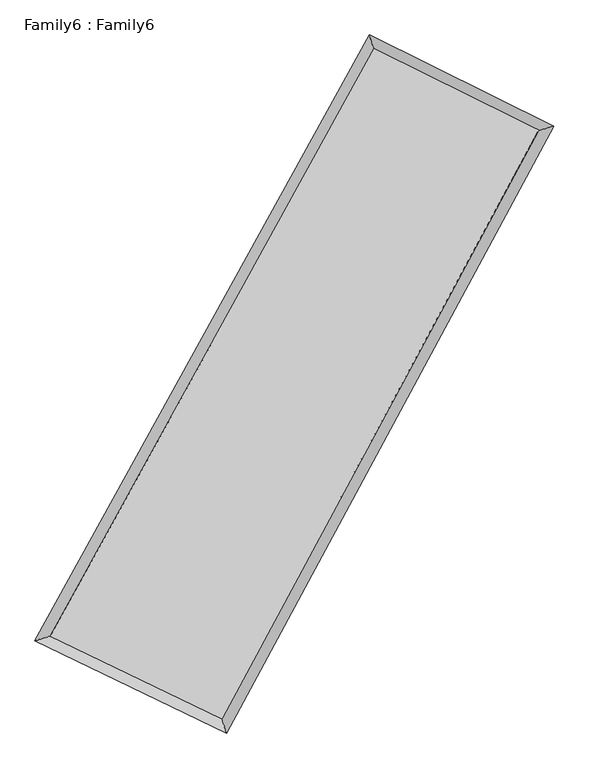
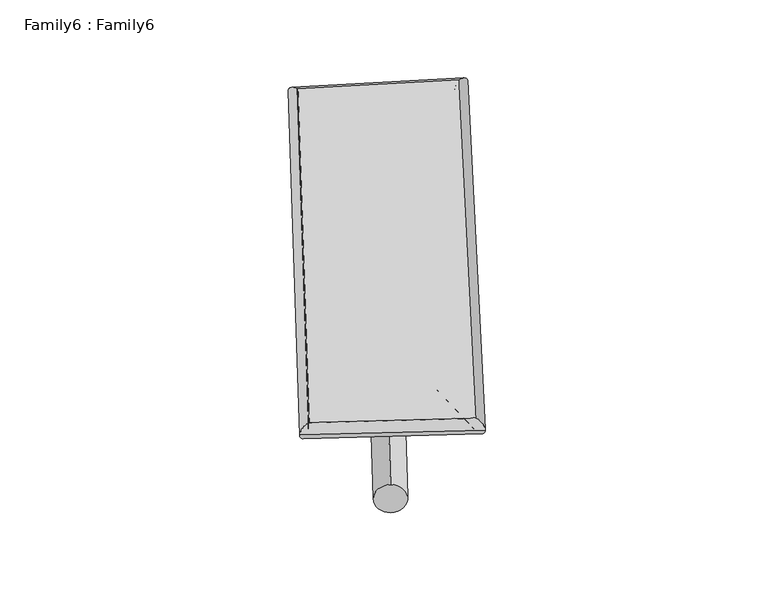
"""IFC4 building model written with IfcOpenShell, lengths in millimetres: plate geometry, Family6 : Family6."""

import ifcopenshell
import ifcopenshell.guid

model = None  # the IFC model being written
_history = None  # IfcOwnerHistory: only IFC2X3 demands one
_inside = {}  # id of a spatial element -> (the spatial element, [elements in it])
_under = {}  # id of a project, library or spatial element -> (it, [spatial elements below it])
_declared = {}  # id of a project -> (the project, [libraries it declares])
_typed = {}  # id of a type object -> (the type object, [elements of that type])
_made_of = {}  # id of a material, layer set ... -> (it, [elements and type objects made of it])


def new_model(schema):
    """Start an empty IFC model of exactly this schema.

    Asked for "IFC4X3", IfcOpenShell would pick the latest addendum, in which some entities
    have other attributes; the version numbers below select the first issue.
    IFC2X3 requires an IfcOwnerHistory on every rooted entity: one is made here for all.
    """
    global model, _history
    if schema == "IFC4X3":
        model = ifcopenshell.file(schema_version=(4, 3, 0, 0))
    else:
        model = ifcopenshell.file(schema=schema)
    _inside.clear()
    _under.clear()
    _declared.clear()
    _typed.clear()
    _made_of.clear()
    _history = None
    if model.schema == "IFC2X3":
        org = make("IfcOrganization", Name="unknown")
        user = make(
            "IfcPersonAndOrganization",
            ThePerson=make("IfcPerson", FamilyName="unknown"),
            TheOrganization=org,
        )
        app = make(
            "IfcApplication",
            ApplicationDeveloper=org,
            Version="unknown",
            ApplicationFullName="unknown",
            ApplicationIdentifier="unknown",
        )
        _history = make(
            "IfcOwnerHistory",
            OwningUser=user,
            OwningApplication=app,
            ChangeAction="ADDED",
            CreationDate=0,
        )
    return model


def make(cls, **values):
    """One entity of the class cls with the attributes given. An attribute that is None is left unset."""
    return model.create_entity(
        cls, **{name: value for name, value in values.items() if value is not None}
    )


def rooted(cls, **values):
    """An entity with a GlobalId (a new one), such as an element, a storey or a relation."""
    return make(cls, GlobalId=ifcopenshell.guid.new(), OwnerHistory=_history, **values)


def si_unit(unit_type, name, prefix=None):
    """IfcSIUnit, for example si_unit("LENGTHUNIT", "METRE", prefix="MILLI")."""
    return make("IfcSIUnit", UnitType=unit_type, Prefix=prefix, Name=name)


def assignment(units):
    """IfcUnitAssignment: the units of a project."""
    return None if units is None else make("IfcUnitAssignment", Units=units)


def point(xyz):
    """IfcCartesianPoint."""
    return None if xyz is None else make("IfcCartesianPoint", Coordinates=xyz)


def direction(xyz):
    """IfcDirection."""
    return None if xyz is None else make("IfcDirection", DirectionRatios=xyz)


def frame(location, z_axis=None, x_axis=None):
    """IfcAxis2Placement3D, a coordinate frame: its origin and axes. An axis left out is left unset."""
    return make(
        "IfcAxis2Placement3D",
        Location=point(location),
        Axis=direction(z_axis),
        RefDirection=direction(x_axis),
    )


def frame_2d(location, x_axis=None):
    """IfcAxis2Placement2D, a coordinate frame in the plane: its origin and x axis."""
    return make(
        "IfcAxis2Placement2D", Location=point(location), RefDirection=direction(x_axis)
    )


def origin():
    """The frame at (0, 0, 0) with its axes left unset."""
    return frame((0.0, 0.0, 0.0))


def origin_2d():
    """The frame at (0, 0) in the plane with its x axis left unset."""
    return frame_2d((0.0, 0.0))


def place(relative_to, where):
    """IfcLocalPlacement: puts the frame where relative to a parent placement (None: the world)."""
    return make(
        "IfcLocalPlacement", PlacementRelTo=relative_to, RelativePlacement=where
    )


def context(
    kind, dimensions, precision=None, world=None, true_north=None, identifier=None
):
    """IfcGeometricRepresentationContext, for example the 3D "Model" context."""
    return make(
        "IfcGeometricRepresentationContext",
        ContextIdentifier=identifier,
        ContextType=kind,
        CoordinateSpaceDimension=dimensions,
        Precision=precision,
        WorldCoordinateSystem=world,
        TrueNorth=true_north,
    )


def project(units=None, contexts=None):
    """IfcProject with its units and contexts."""
    return rooted(
        "IfcProject",
        Name="project",
        RepresentationContexts=contexts,
        UnitsInContext=assignment(units),
    )


def spatial(cls, under=None, at=None, **own):
    """A site, building, storey or space (cls), placed at a placement, below another one or the project."""
    s = rooted(cls, ObjectPlacement=at, **own)
    if under is not None:
        _under.setdefault(under.id(), (under, []))[1].append(s)
    return s


def circle_curve(where, radius):
    """IfcCircle in the frame where."""
    return make("IfcCircle", Position=where, Radius=radius)


def ellipse_curve(where, semi_axis1, semi_axis2):
    """IfcEllipse in the frame where."""
    return make(
        "IfcEllipse", Position=where, SemiAxis1=semi_axis1, SemiAxis2=semi_axis2
    )


def trimmed(basis, trim1, trim2, sense, master):
    """IfcTrimmedCurve: the piece of a basis curve between two trims."""
    return make(
        "IfcTrimmedCurve",
        BasisCurve=basis,
        Trim1=trim1,
        Trim2=trim2,
        SenseAgreement=sense,
        MasterRepresentation=master,
    )


def segment(curve, same_sense, transition):
    """IfcCompositeCurveSegment."""
    return make(
        "IfcCompositeCurveSegment",
        Transition=transition,
        SameSense=same_sense,
        ParentCurve=curve,
    )


def composite_curve(segments, self_intersect=None):
    """IfcCompositeCurve: segments joined end to end."""
    return make("IfcCompositeCurve", Segments=segments, SelfIntersect=self_intersect)


def outline(outer, holes=None, kind="AREA"):
    """IfcArbitraryClosedProfileDef: a profile drawn as a closed curve; with holes, ...WithVoids."""
    if holes is None:
        return make("IfcArbitraryClosedProfileDef", ProfileType=kind, OuterCurve=outer)
    return make(
        "IfcArbitraryProfileDefWithVoids",
        ProfileType=kind,
        OuterCurve=outer,
        InnerCurves=holes,
    )


def extrude(swept, where, along, depth):
    """IfcExtrudedAreaSolid: the profile swept, set in the frame where, extruded along a direction by depth."""
    return make(
        "IfcExtrudedAreaSolid",
        SweptArea=swept,
        Position=where,
        ExtrudedDirection=direction(along),
        Depth=depth,
    )


def shape(context_of_items, identifier, shape_type, items):
    """IfcShapeRepresentation: the items that make up one representation, for example the "Body"."""
    return make(
        "IfcShapeRepresentation",
        ContextOfItems=context_of_items,
        RepresentationIdentifier=identifier,
        RepresentationType=shape_type,
        Items=items,
    )


def source(mapping_origin, context_of_items, identifier, shape_type, items):
    """IfcRepresentationMap: a shape defined once, which mapped items show again and again."""
    return make(
        "IfcRepresentationMap",
        MappingOrigin=mapping_origin,
        MappedRepresentation=shape(context_of_items, identifier, shape_type, items),
    )


def transform(
    local_origin,
    x_axis=None,
    y_axis=None,
    z_axis=None,
    scale=None,
    scale2=None,
    scale3=None,
    uniform=True,
):
    """IfcCartesianTransformationOperator3D, or its non-uniform kind. x_axis, y_axis, z_axis: its Axis1, 2, 3."""
    if uniform:
        return make(
            "IfcCartesianTransformationOperator3D",
            Axis1=direction(x_axis),
            Axis2=direction(y_axis),
            LocalOrigin=point(local_origin),
            Scale=scale,
            Axis3=direction(z_axis),
        )
    return make(
        "IfcCartesianTransformationOperator3DnonUniform",
        Axis1=direction(x_axis),
        Axis2=direction(y_axis),
        LocalOrigin=point(local_origin),
        Scale=scale,
        Axis3=direction(z_axis),
        Scale2=scale2,
        Scale3=scale3,
    )


def mapped(mapping_source, mapping_target):
    """IfcMappedItem: shows the shape of a source again, moved by a transform."""
    return make(
        "IfcMappedItem", MappingSource=mapping_source, MappingTarget=mapping_target
    )


def made_of(thing, what):
    """Note that an element or type object is made of a material, layer set ...; save() writes the relation."""
    if what is not None:
        _made_of.setdefault(what.id(), (what, []))[1].append(thing)
    return thing


def element(
    cls,
    number,
    at=None,
    inside=None,
    cuts=None,
    type_object=None,
    material=None,
    context=None,
    identifier="Body",
    shape_type=None,
    held_by="IfcProductDefinitionShape",
    body=None,
    shapes=None,
    **own,
):
    """One element of the class cls, such as IfcWall. Its Tag is "e" and its number.

    at: its placement. inside: the storey or other place that contains it. cuts: it is an
    opening in that element (IfcRelVoidsElement). A single representation is given by context,
    identifier, shape_type and body (its items); several are given by shapes. held_by: the class
    of the entity that holds the representations. save() writes the other relations.
    """
    e = rooted(cls, Tag="e%d" % number, ObjectPlacement=at, **own)
    if body is not None:
        shapes = [shape(context, identifier, shape_type, body)]
    if shapes is not None:
        e.Representation = make(held_by, Representations=shapes)
    if inside is not None:
        _inside.setdefault(inside.id(), (inside, []))[1].append(e)
    if cuts is not None:
        rooted(
            "IfcRelVoidsElement", RelatingBuildingElement=cuts, RelatedOpeningElement=e
        )
    if type_object is not None:
        _typed.setdefault(type_object.id(), (type_object, []))[1].append(e)
    return made_of(e, material)


def aggregate(whole, parts):
    """IfcRelAggregates: a whole, such as a stair, and the parts it consists of."""
    return rooted("IfcRelAggregates", RelatingObject=whole, RelatedObjects=parts)


def save(model, path):
    """Write the relations noted so far, then the file.

    IfcRelAggregates (storeys below a building ...), IfcRelContainedInSpatialStructure (elements
    in a storey), IfcRelDefinesByType, IfcRelAssociatesMaterial and IfcRelDeclares: one each for
    every whole, place, type object, material and project.
    """
    for whole, parts in _under.values():
        aggregate(whole, parts)
    for where, things in _inside.values():
        rooted(
            "IfcRelContainedInSpatialStructure",
            RelatedElements=things,
            RelatingStructure=where,
        )
    for kind, things in _typed.values():
        rooted("IfcRelDefinesByType", RelatedObjects=things, RelatingType=kind)
    for what, things in _made_of.values():
        rooted("IfcRelAssociatesMaterial", RelatedObjects=things, RelatingMaterial=what)
    for by, libraries in _declared.values():
        rooted("IfcRelDeclares", RelatingContext=by, RelatedDefinitions=libraries)
    model.write(path)


def plane_surface(at):
    """IfcPlane: the flat surface through the origin of the frame at, square to its z axis."""
    return make("IfcPlane", Position=at)


def cylinder_surface(at, radius):
    """IfcCylindricalSurface: all points at the distance radius from the z axis of the frame at."""
    return make("IfcCylindricalSurface", Position=at, Radius=radius)


def spline_surface(u_degree, v_degree, points, u_multiplicities, v_multiplicities, u_knots, v_knots, weights=None):
    """IfcBSplineSurfaceWithKnots; with weights, IfcRationalBSplineSurfaceWithKnots. points: one row for each step in u."""
    own = dict(
        UDegree=u_degree,
        VDegree=v_degree,
        ControlPointsList=[[point(p) for p in row] for row in points],
        SurfaceForm="UNSPECIFIED",
        UClosed=False,
        VClosed=False,
        SelfIntersect=False,
        UMultiplicities=u_multiplicities,
        VMultiplicities=v_multiplicities,
        UKnots=u_knots,
        VKnots=v_knots,
        KnotSpec="UNSPECIFIED",
    )
    if weights is None:
        return make("IfcBSplineSurfaceWithKnots", **own)
    return make("IfcRationalBSplineSurfaceWithKnots", WeightsData=weights, **own)


def advanced_brep(points, edges, surfaces, faces):
    """IfcAdvancedBrep: a solid bounded by faces that lie on surfaces and meet in shared edges.

    An edge is (start, end): straight between two places in points (the first is 0);
    or (start, end, curve); or (start, end, curve, False) where it runs against its curve.
    A face is (place in surfaces, loops), or (place, loops, False) where it looks against
    its surface's normal. A loop lists edges by number (the first is 1), with a minus sign
    where the edge is run from its end to its start. The first loop is the outer one.
    """
    corners = [point(p) for p in points]
    vertices = [make("IfcVertexPoint", VertexGeometry=c) for c in corners]
    made = []
    for start, end, *more in edges:
        made.append(
            make(
                "IfcEdgeCurve",
                EdgeStart=vertices[start],
                EdgeEnd=vertices[end],
                EdgeGeometry=more[0] if more else make("IfcPolyline", Points=[corners[start], corners[end]]),
                SameSense=more[1] if len(more) > 1 else True,
            )
        )
    hull = []
    for where, loops, *sense in faces:
        bounds = []
        for j, loop in enumerate(loops):
            ring = [make("IfcOrientedEdge", EdgeElement=made[abs(k) - 1], Orientation=k > 0) for k in loop]
            bounds.append(
                make(
                    "IfcFaceOuterBound" if j == 0 else "IfcFaceBound",
                    Bound=make("IfcEdgeLoop", EdgeList=ring),
                    Orientation=True,
                )
            )
        hull.append(make("IfcAdvancedFace", Bounds=bounds, FaceSurface=surfaces[where], SameSense=sense[0] if sense else True))
    return make("IfcAdvancedBrep", Outer=make("IfcClosedShell", CfsFaces=hull))


def family6_family6_a13bdeb6(model_context):
    return source(origin(), model_context, "Body", "SolidModel", [
        extrude(outline(composite_curve([segment(trimmed(circle_curve(origin_2d(), 76.2), [point((-75.4341514, -10.7763074))], [point((75.4341514, 10.7763074))], False, "CARTESIAN"), True, "CONTINUOUS"), segment(trimmed(circle_curve(origin_2d(), 76.2), [point((75.4341514, 10.7763074))], [point((-75.4341514, -10.7763074))], False, "CARTESIAN"), True, "CONTINUOUS")], self_intersect=False)), frame((9144.0, 9144.0, 0.0), z_axis=(0.6675679153350952, 0.6924655994660907, 0.2735771773580959), x_axis=(-0.6842210219646142, 0.7154514023607427, -0.14131837800422767)), (0.0, 0.0, 1.0), 5681.6754068),
        extrude(outline(composite_curve([segment(trimmed(circle_curve(origin_2d(), 76.2), [point((-53.8815367, 53.8815367))], [point((53.8815367, -53.8815367))], False, "CARTESIAN"), True, "CONTINUOUS"), segment(trimmed(circle_curve(origin_2d(), 76.2), [point((53.8815367, -53.8815367))], [point((-53.8815367, 53.8815367))], False, "CARTESIAN"), True, "CONTINUOUS")], self_intersect=False)), frame((9144.0, 9144.0, 0.0), z_axis=(-0.6738533918866049, -0.6869968288878563, 0.27195029571770557), x_axis=(0.6405414715901686, -0.3597146788892236, 0.6784629488518323)), (0.0, 0.0, 1.0), 5713.1770932),
        extrude(outline(composite_curve([segment(trimmed(circle_curve(origin_2d(), 76.2), [point((-53.8815367, -53.8815368))], [point((53.8815367, 53.8815368))], False, "CARTESIAN"), True, "CONTINUOUS"), segment(trimmed(circle_curve(origin_2d(), 76.2), [point((53.8815367, 53.8815368))], [point((-53.8815367, -53.8815368))], False, "CARTESIAN"), True, "CONTINUOUS")], self_intersect=False)), frame((9144.0, 9144.0, 0.0), z_axis=(0.21603849927752136, 0.93875703527183, 0.2684447718946317), x_axis=(-0.8490373768663165, 0.3163869502215095, -0.42312507655951637)), (0.0, 0.0, 1.0), 5556.4337625),
        extrude(outline(composite_curve([segment(trimmed(circle_curve(origin_2d(), 76.2), [point((-75.4341515, 10.7763074))], [point((75.4341515, -10.7763074))], False, "CARTESIAN"), True, "CONTINUOUS"), segment(trimmed(circle_curve(origin_2d(), 76.2), [point((75.4341515, -10.7763074))], [point((-75.4341515, 10.7763074))], False, "CARTESIAN"), True, "CONTINUOUS")], self_intersect=False)), frame((9144.0, 9144.0, 0.0), z_axis=(-0.20673595885960966, -0.940765965036097, 0.2687371249829448), x_axis=(0.8973372994272121, -0.07284789349262637, 0.435291804965778)), (0.0, 0.0, 1.0), 5553.7249098),
        advanced_brep(
        [(5082.9507247, 5151.754974, 1549.6466135), (5082.8486788, 5151.6205216, 1558.8671946), (5505.3617499, 5286.3759342, 1557.7537864), (10407.3230857, 14159.0502756, 1497.4727041), (10281.4841371, 14561.2322956, 1485.7184837), (5505.4637958, 5286.5103867, 1548.5332053), (12727.8118081, 13011.7610668, 1553.6666723), (13145.9966058, 13144.9684663, 1555.0867686), (7930.7954768, 4119.6490281, 1493.5860882), (8060.8952343, 3718.8402232, 1491.3980422)],
        [
            (0, 1, ellipse_curve(frame((5294.1562373, 5219.0654541, 1553.7002), z_axis=(-0.3038156283751693, 0.9526726607010895, 0.010529269096564117), x_axis=(-0.9525107880728285, -0.3039644245530959, 0.01813359343827548)), 221.8735365, 152.4)),
            (1, 2, ellipse_curve(frame((5294.1562373, 5219.0654541, 1553.7002), z_axis=(-0.3038156283751693, 0.9526726607010895, 0.010529269096564117), x_axis=(-0.9525107880728285, -0.3039644245530959, 0.01813359343827548)), 221.8735365, 152.4)),
            (2, 3),
            (3, 4, ellipse_curve(frame((10344.4036114, 14360.1412856, 1491.5955939), z_axis=(-0.9542263393455381, -0.2988868605426761, -0.010896691890512155), x_axis=(0.29863665022691605, -0.9541570690846044, 0.020010963423187485)), 210.7925758, 152.4)),
            (4, 0),
            (2, 5, ellipse_curve(frame((5294.1562373, 5219.0654541, 1553.7002), z_axis=(-0.3038156283751693, 0.9526726607010895, 0.010529269096564117), x_axis=(-0.9525107880728285, -0.3039644245530959, 0.01813359343827548)), 221.8735365, 152.4)),
            (5, 0, ellipse_curve(frame((5294.1562373, 5219.0654541, 1553.7002), z_axis=(-0.3038156283751693, 0.9526726607010895, 0.010529269096564117), x_axis=(-0.9525107880728285, -0.3039644245530959, 0.01813359343827548)), 221.8735365, 152.4)),
            (4, 3, ellipse_curve(frame((10344.4036114, 14360.1412856, 1491.5955939), z_axis=(-0.9542263393455381, -0.2988868605426761, -0.010896691890512155), x_axis=(0.29863665022691605, -0.9541570690846044, 0.020010963423187485)), 210.7925758, 152.4)),
            (3, 6),
            (6, 7, ellipse_curve(frame((12936.904207, 13078.3647666, 1554.3767205), z_axis=(-0.3034565832288183, 0.9527777160880907, -0.011345740216178426), x_axis=(-0.9525970164415003, -0.30362780277324186, -0.019211497855334794)), 219.475262, 152.4)),
            (7, 4),
            (7, 6, ellipse_curve(frame((12936.904207, 13078.3647666, 1554.3767205), z_axis=(-0.3034565832288183, 0.9527777160880907, -0.011345740216178426), x_axis=(-0.9525970164415003, -0.30362780277324186, -0.019211497855334794)), 219.475262, 152.4)),
            (6, 8),
            (8, 9, ellipse_curve(frame((7995.8453555, 3919.2446256, 1492.4920652), z_axis=(0.951084188601615, 0.3087699209006453, -0.010000106950259971), x_axis=(-0.3085476069182775, 0.9510174570266277, 0.019083256944515525)), 210.7188179, 152.4)),
            (9, 7),
            (9, 8, ellipse_curve(frame((7995.8453555, 3919.2446256, 1492.4920652), z_axis=(0.951084188601615, 0.3087699209006453, -0.010000106950259971), x_axis=(-0.3085476069182775, 0.9510174570266277, 0.019083256944515525)), 210.7188179, 152.4)),
            (8, 5),
            (1, 9),
        ],
        [
            cylinder_surface(frame((5294.1562373, 5219.0654541, 1553.7002), z_axis=(-0.4835748793365521, -0.8752827960259695, 0.005946684420800926), x_axis=(-0.8749195023515299, 0.483150769457175, -0.03288158113429246)), 152.4),
            cylinder_surface(frame((10344.4036114, 14360.1412856, 1491.5955939), z_axis=(-0.8962089537158552, 0.44310099482834125, -0.02170298739038133), x_axis=(0.4434818187819664, 0.8961060773971873, -0.017826229597581556)), 152.4),
            cylinder_surface(frame((12936.904207, 13078.3647666, 1554.3767205), z_axis=(0.4747784666581997, 0.8800852503878821, 0.005946397849767193), x_axis=(0.8801040578581181, -0.4747784666581997, -0.0015016455518012638)), 152.4),
            cylinder_surface(frame((7995.8453555, 3919.2446256, 1492.4920652), z_axis=(0.9009432820061795, -0.4334565495775397, -0.020411326176112306), x_axis=(-0.43328758866909806, -0.9011716710348162, 0.012307917355727754)), 152.4),
        ],
        [
            (0, [[1, 2, 3, 4, 5]]),
            (0, [[6, 7, -5, 8, -3]]),
            (1, [[-4, 9, 10, 11]]),
            (1, [[-8, -11, 12, -9]]),
            (2, [[-10, 13, 14, 15]]),
            (2, [[-12, -15, 16, -13]]),
            (3, [[-14, 17, -6, -2, 18]]),
            (3, [[-16, -18, -1, -7, -17]]),
        ],
    ),
        extrude(outline(composite_curve([segment(trimmed(circle_curve(origin_2d(), 304.8), [point((-1e-07, -304.8))], [point((-1e-07, 304.7999999))], False, "CARTESIAN"), True, "CONTINUOUS"), segment(trimmed(circle_curve(origin_2d(), 304.8), [point((-1e-07, 304.7999999))], [point((-1e-07, -304.8))], False, "CARTESIAN"), True, "CONTINUOUS")], self_intersect=False)), frame((6608.5441665, 4564.9904692, -0.0494356), z_axis=(0.4844104957055815, 0.8748408264141924, 9.44490571258931e-06), x_axis=(-0.8748408264617729, 0.48441049570558137, 2.4403199427219544e-06)), (0.0, 0.0, 1.0), 10468.2117994),
        advanced_brep(
        [(5294.1562373, 5219.0654541, 1553.7002), (7995.8453555, 3919.2446256, 1492.4920652), (7995.8609603, 3919.2395061, 1644.8920643), (5294.1718421, 5219.0603345, 1706.1001991), (12936.904207, 13078.3647666, 1554.3767205), (12936.9198117, 13078.359647, 1706.7767196), (10344.4036114, 14360.1412856, 1491.5955939), (10344.4192161, 14360.136166, 1643.995593)],
        [
            (0, 1),
            (1, 2),
            (2, 3),
            (3, 0),
            (1, 4),
            (4, 5),
            (5, 2),
            (4, 6),
            (6, 7),
            (7, 5),
            (6, 0),
            (3, 7),
        ],
        [
            plane_surface(frame((6645.0007964, 4569.1550399, 1523.0961326), z_axis=(-0.4335466117973385, -0.9011311420651578, 1.4120644331620455e-05), x_axis=(0.9009432820061798, -0.4334565495775392, -0.02041132617611231))),
            plane_surface(frame((10466.3747812, 8498.8046961, 1523.4343928), z_axis=(0.8801011050604728, -0.4747863031104871, -0.00010606607303587524), x_axis=(0.47477846665819984, 0.8800852503878821, 0.005946397849767194))),
            plane_surface(frame((11640.6539092, 13719.2530261, 1522.9861572), z_axis=(0.4432056834038103, 0.8964199473268384, -1.5267933036586592e-05), x_axis=(-0.896208953715855, 0.443100994828341, -0.021702987390381324))),
            plane_surface(frame((7819.2799243, 9789.6033698, 1522.647897), z_axis=(-0.8752979634109271, 0.4835839782708566, 0.00010586980299738882), x_axis=(-0.483574879336552, -0.8752827960259694, 0.005946684420800933))),
            spline_surface(1, 1, [[(7995.8609603, 3919.2395061, 1644.8920643), (5294.1718421, 5219.0603345, 1706.1001991)], [(12936.9198117, 13078.359647, 1706.7767196), (10344.4192161, 14360.136166, 1643.995593)]], [2, 2], [2, 2], [0.0, 1.0], [0.0, 1.0]),
            spline_surface(1, 1, [[(10344.4036114, 14360.1412856, 1491.5955939), (5294.1562373, 5219.0654541, 1553.7002)], [(12936.904207, 13078.3647666, 1554.3767205), (7995.8453555, 3919.2446256, 1492.4920652)]], [2, 2], [2, 2], [0.0, 1.0], [0.0, 1.0]),
        ],
        [
            (0, [[1, 2, 3, 4]]),
            (1, [[5, 6, 7, -2]]),
            (2, [[8, 9, 10, -6]]),
            (3, [[11, -4, 12, -9]]),
            (4, [[-3, -7, -10, -12]]),
            (5, [[-11, -8, -5, -1]]),
        ],
    ),
    ])


if __name__ == "__main__":
    model = new_model("IFC4")
    model_context = context("Model", 3, world=origin())
    ifc_project = project(units=[si_unit("LENGTHUNIT", "METRE", prefix="MILLI")], contexts=[model_context])
    site = spatial("IfcSite", under=ifc_project)
    building = spatial("IfcBuilding", under=site)
    placement = place(None, origin())
    family6_family6_shape = family6_family6_a13bdeb6(model_context)
    element("IfcPlate", 1, ObjectType="Family6 : Family6", at=placement, inside=building, context=model_context, shape_type="MappedRepresentation", body=[
        mapped(family6_family6_shape, transform((0.0, 0.0, 0.0), x_axis=(1.0, 0.0, 0.0), y_axis=(0.0, 1.0, 0.0), z_axis=(0.0, 0.0, 1.0))),
    ])
    save(model, "model.ifc")
